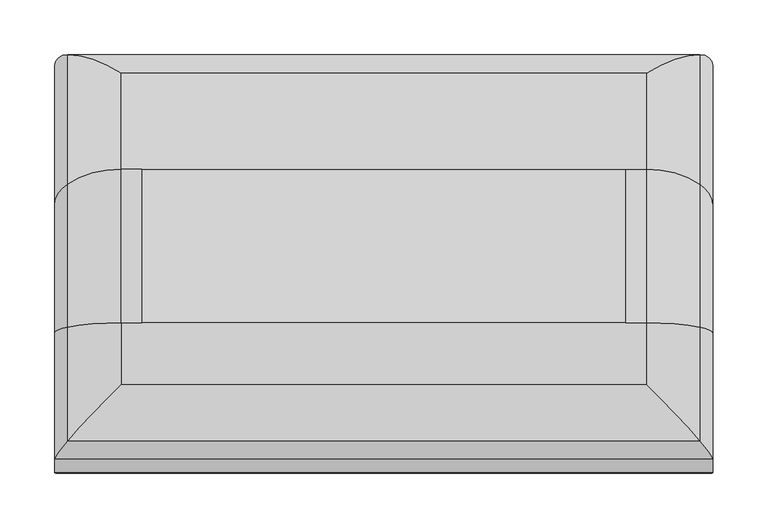
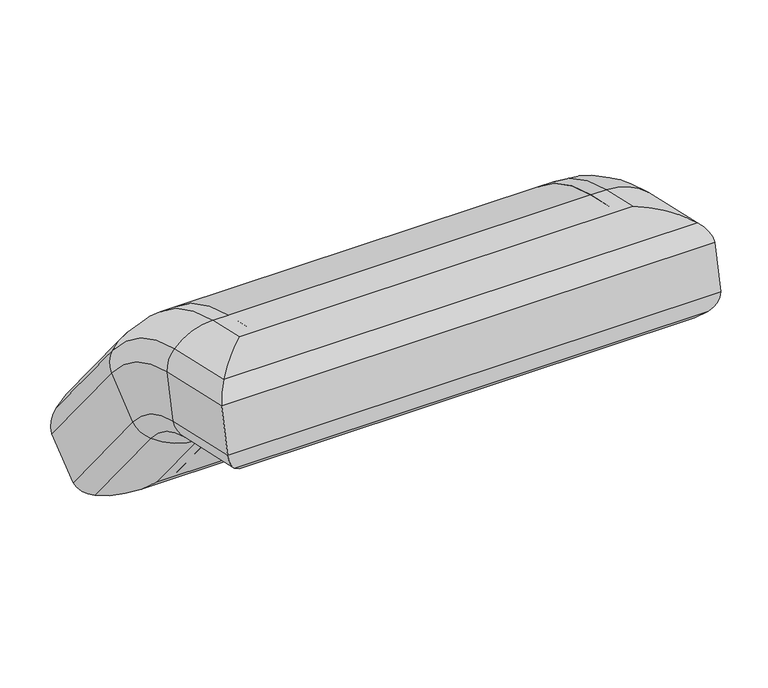
"""IFC4 building model written with IfcOpenShell, lengths in millimetres: furniture geometry."""

from ifc_helpers import new_model, si_unit, point, frame, origin, place, context, project, spatial, polyline, circle_curve, ellipse_curve, trimmed, source, transform, mapped, element, save
from ifc_brep_helpers import plane_surface, cylinder_surface, revolved_surface, advanced_brep


def furniture_5958761a(model_context):
    return source(origin(), model_context, "Body", "AdvancedBrep", [
        advanced_brep(
        [(615.9786011, 39.7050483, 709.8244582), (615.2922792, 8.2790068, 573.7033175), (615.2922792, 46.9310995, 564.9795644), (615.9786011, 77.6876591, 701.2518068), (548.1505077, -30.4149091, 707.2292663), (597.2994374, 21.484207, 713.9368907), (597.2994374, 77.6876591, 701.2518068), (548.1505077, 73.731527, 683.723481), (536.2146165, 68.6767714, 661.3275147), (536.2146165, -47.1126901, 687.4611234), (536.2724202, 55.9709225, 605.0320596), (536.2724202, -59.7621536, 631.1529422), (548.0428978, 50.958398, 582.823205), (548.0428978, -53.2930075, 606.3526818), (597.5722685, 46.9310995, 564.9795644), (597.5722685, -9.0062158, 577.6045814), (615.2922792, 110.3801795, 525.6791827), (615.9786011, 218.6856146, 613.9176251), (597.2994374, 218.6856146, 613.9176251), (615.9786011, 77.6876591, 701.2518068), (615.9786011, 218.6856146, 613.9176251), (548.1505077, 204.7545827, 602.5677556), (536.2146165, 186.9548838, 588.0660115), (536.2724202, 142.2128025, 551.6138098), (548.0428978, 124.5618149, 537.2332235), (597.5722685, 110.3801795, 525.6791827), (615.2922792, 186.8409174, 431.8299118), (615.9786011, 294.7128523, 520.6004402), (1060.4786011, 218.6856146, 613.9176251), (1079.1577649, 218.6856146, 613.9176251), (1079.1577649, 306.5111366, 506.119016), (597.2994374, 306.5111366, 506.119016), (548.1505077, 323.6239487, 456.6653797), (536.2146165, 313.3632938, 432.9100788), (536.2724202, 268.584702, 396.5026906), (548.0428978, 243.4991503, 391.2474208), (597.5722685, 198.0333737, 418.0920917), (1078.8849338, 198.0333737, 418.0920917), (1078.8849338, 110.3801795, 525.6791827), (1061.1649231, 110.3801795, 525.6791827), (1061.1649231, 186.8409174, 431.8299118), (1060.4786011, 186.8409174, 431.8299118), (1060.4786011, 110.3801795, 525.6791827), (615.9786011, 110.3801795, 525.6791827), (615.9786011, 186.8409174, 431.8299118), (1060.4786011, 294.7128523, 520.6004402), (1128.3066946, 323.6239487, 456.6653797), (1140.2425858, 313.3632938, 432.9100788), (1140.1847821, 268.584702, 396.5026906), (1128.4143044, 243.4991503, 391.2474208), (1060.4786011, 218.6856146, 613.9176251), (1128.3066946, 204.7545827, 602.5677556), (1140.2425858, 186.9548838, 588.0660115), (1140.1847821, 142.2128025, 551.6138098), (1128.4143044, 124.5618149, 537.2332235), (1061.1649231, 46.9310995, 564.9795644), (1060.4786011, 77.6876591, 701.2518068), (1060.4786011, 77.6876591, 701.2518068), (1079.1577649, 77.6876591, 701.2518068), (1128.3066946, 73.731527, 683.723481), (1140.2425858, 68.6767714, 661.3275147), (1140.1847821, 55.9709225, 605.0320596), (1128.4143044, 50.958398, 582.823205), (1078.8849338, 46.9310995, 564.9795644), (1061.1649231, 8.2790068, 573.7033175), (1060.4786011, 39.7050483, 709.8244582), (1079.1577649, 21.484207, 713.9368907), (1128.3066946, -30.4149091, 707.2292663), (1140.2425858, -47.1126901, 687.4611234), (1140.1847821, -59.7621536, 631.1529422), (1128.4143044, -53.2930075, 606.3526818), (1078.8849338, -9.0062158, 577.6045814), (615.9786011, 8.2790068, 573.7033175), (615.9786011, 46.9310995, 564.9795644), (1060.4786011, 46.9310995, 564.9795644), (1060.4786011, 8.2790068, 573.7033175)],
        [
            (0, 1),
            (1, 2),
            (2, 3),
            (3, 0),
            (4, 5, ellipse_curve(frame((597.2994374, 4.7079018, 639.6065766), z_axis=(-0.7071067811865457, 0.6897568122696828, -0.15567767960619114), x_axis=(-0.707106781186549, -0.6897568122696794, 0.1556776796061913)), 107.7630735, 76.2)),
            (5, 6),
            (6, 7, circle_curve(frame((597.2994374, 60.9113539, 626.9214928), z_axis=(0.0, -0.9754634386510158, 0.220161485857849), x_axis=(-0.004912767759913869, -0.22015882901148728, -0.975451667034932)), 76.2)),
            (7, 4),
            (7, 8, circle_curve(frame((570.0816075, 68.0109447, 658.3774545), z_axis=(0.0, -0.9754634386510158, 0.220161485857849), x_axis=(-0.004912767759913869, -0.22015882901148728, -0.975451667034932)), 34.0017538)),
            (8, 9),
            (9, 4, ellipse_curve(frame((570.0816075, -14.7425053, 677.0548563), z_axis=(-0.7071067811865457, 0.6897568122696828, -0.15567767960619114), x_axis=(-0.707106781186549, -0.6897568122696794, 0.1556776796061913)), 48.0857414, 34.0017538)),
            (8, 10, circle_curve(frame((855.7694958, 62.3943067, 633.491971), z_axis=(0.0, -0.9754634386510158, 0.220161485857849), x_axis=(-0.004912767759913869, -0.22015882901148728, -0.975451667034932)), 320.8264449)),
            (10, 11),
            (11, 9, ellipse_curve(frame((855.7694958, 258.3189466, 589.2719028), z_axis=(-0.7071067811865457, 0.6897568122696828, -0.15567767960619114), x_axis=(-0.707106781186549, -0.6897568122696794, 0.1556776796061913)), 453.7171095, 320.8264449)),
            (10, 12, circle_curve(frame((570.1634371, 56.6522903, 608.0509772), z_axis=(0.0, -0.9754634386510158, 0.220161485857849), x_axis=(-0.004912767759913869, -0.22015882901148728, -0.975451667034932)), 34.0320313)),
            (12, 13),
            (13, 11, ellipse_curve(frame((570.1634371, -26.0213379, 626.7103632), z_axis=(-0.7071067811865457, 0.6897568122696828, -0.15567767960619114), x_axis=(-0.707106781186549, -0.6897568122696794, 0.1556776796061913)), 48.1285601, 34.0320313)),
            (12, 14, circle_curve(frame((597.5722685, 63.7074048, 639.3098785), z_axis=(0.0, -0.9754634386510158, 0.220161485857849), x_axis=(-0.004912767759913869, -0.22015882901148728, -0.975451667034932)), 76.2)),
            (14, 15),
            (15, 13, ellipse_curve(frame((597.5722685, 7.7700894, 651.9348954), z_axis=(-0.7071067811865457, 0.6897568122696828, -0.15567767960619114), x_axis=(-0.707106781186549, -0.6897568122696794, 0.1556776796061913)), 107.7630735, 76.2)),
            (2, 16, circle_curve(frame((615.2922792, 21.7666417, 453.4840934), z_axis=(-1.0, 0.0, 0.0), x_axis=(0.0, 0.22016148585784867, 0.9754634386510159)), 114.3)),
            (16, 17),
            (17, 3, circle_curve(frame((615.9786011, 21.7666417, 453.4840934), z_axis=(1.0, 0.0, 0.0), x_axis=(0.0, 0.22016148585784867, 0.9754634386510159)), 254.0)),
            (18, 6, circle_curve(frame((597.2994374, 21.7666417, 453.4840934), z_axis=(1.0, 0.0, 0.0), x_axis=(0.0, 0.22016148585784867, 0.9754634386510159)), 254.0)),
            (6, 19),
            (19, 20, circle_curve(frame((615.9786011, 21.7666417, 453.4840934), z_axis=(-1.0, 0.0, 0.0), x_axis=(0.0, 0.22016148585784867, 0.9754634386510159)), 254.0)),
            (20, 18),
            (18, 21, circle_curve(frame((597.2994374, 159.6099227, 565.7875656), z_axis=(0.0, -0.6316280777099303, 0.7752715469101511), x_axis=(-0.0049127677599147814, -0.7752621911530316, -0.6316204554014522)), 76.2)),
            (21, 7, circle_curve(frame((548.1505077, 21.7666417, 453.4840934), z_axis=(1.0, 0.0, 0.0), x_axis=(0.0, 0.22016148585784867, 0.9754634386510159)), 236.0307711)),
            (21, 22, circle_curve(frame((570.0816075, 184.6102571, 586.1558007), z_axis=(0.0, -0.6316280777099302, 0.7752715469101512), x_axis=(-0.0049127677599147814, -0.7752621911530317, -0.631620455401452)), 34.0017538)),
            (22, 8, circle_curve(frame((536.2146165, 21.7666417, 453.4840934), z_axis=(1.0, 0.0, 0.0), x_axis=(0.0, 0.22016148585784867, 0.9754634386510159)), 213.0714623)),
            (22, 23, circle_curve(frame((855.7694958, 164.8319584, 570.0420547), z_axis=(0.0, -0.6316280777099303, 0.7752715469101511), x_axis=(-0.0049127677599147814, -0.7752621911530316, -0.6316204554014522)), 320.8264449)),
            (23, 10, circle_curve(frame((536.2724202, 21.7666417, 453.4840934), z_axis=(1.0, 0.0, 0.0), x_axis=(0.0, 0.22016148585784867, 0.9754634386510159)), 155.3599655)),
            (23, 24, circle_curve(frame((570.1634371, 144.6121552, 553.5686069), z_axis=(0.0, -0.6316280777099306, 0.775271546910151), x_axis=(-0.0049127677599147814, -0.7752621911530315, -0.6316204554014523)), 34.0320313)),
            (24, 12, circle_curve(frame((548.0428978, 21.7666417, 453.4840934), z_axis=(1.0, 0.0, 0.0), x_axis=(0.0, 0.22016148585784867, 0.9754634386510159)), 132.592475)),
            (24, 25, circle_curve(frame((597.5722685, 169.4558714, 573.8092422), z_axis=(0.0, -0.6316280777099301, 0.7752715469101514), x_axis=(-0.0049127677599147814, -0.7752621911530319, -0.6316204554014518)), 76.2)),
            (25, 14, circle_curve(frame((597.5722685, 21.7666417, 453.4840934), z_axis=(1.0, 0.0, 0.0), x_axis=(0.0, 0.22016148585784867, 0.9754634386510159)), 114.3)),
            (2, 14),
            (25, 16),
            (16, 26),
            (26, 27),
            (27, 17),
            (20, 28),
            (28, 29),
            (29, 30),
            (30, 31),
            (31, 18),
            (31, 32, ellipse_curve(frame((597.2994374, 247.4354447, 457.9889565), z_axis=(-0.7071067811865481, -0.44662849693651435, 0.5481997680811522), x_axis=(0.7071067811865468, -0.44662849693651635, 0.5481997680811523)), 107.7630735, 76.2)),
            (32, 21),
            (32, 33, ellipse_curve(frame((570.0816075, 289.6273246, 457.2559825), z_axis=(-0.7071067811865481, -0.44662849693651435, 0.5481997680811522), x_axis=(0.7071067811865468, -0.44662849693651635, 0.5481997680811523)), 48.0857414, 34.0017538)),
            (33, 22),
            (33, 34, ellipse_curve(frame((855.7694958, 89.4005342, 662.6279276), z_axis=(-0.7071067811865481, -0.44662849693651435, 0.5481997680811522), x_axis=(0.7071067811865468, -0.44662849693651635, 0.5481997680811523)), 453.7171095, 320.8264449)),
            (34, 23),
            (34, 35, ellipse_curve(frame((570.1634371, 249.5775369, 424.7322288), z_axis=(-0.7071067811865481, -0.44662849693651435, 0.5481997680811522), x_axis=(0.7071067811865468, -0.44662849693651635, 0.5481997680811523)), 48.1285601, 34.0320313)),
            (35, 24),
            (35, 36, ellipse_curve(frame((597.5722685, 257.1090656, 466.2221512), z_axis=(-0.7071067811865481, -0.44662849693651435, 0.5481997680811522), x_axis=(0.7071067811865468, -0.44662849693651635, 0.5481997680811523)), 107.7630735, 76.2)),
            (36, 25),
            (36, 37),
            (37, 38),
            (38, 39),
            (39, 40),
            (40, 41),
            (41, 42),
            (42, 43),
            (43, 44),
            (44, 26),
            (44, 27),
            (40, 45),
            (45, 41),
            (30, 46, ellipse_curve(frame((1079.1577649, 247.4354447, 457.9889565), z_axis=(-0.7071067811865469, 0.4466284969365162, -0.5481997680811523), x_axis=(-0.7071067811865481, -0.44662849693651424, 0.5481997680811523)), 107.7630735, 76.2)),
            (46, 32),
            (46, 47, ellipse_curve(frame((1106.3755948, 289.6273246, 457.2559825), z_axis=(-0.7071067811865469, 0.4466284969365162, -0.5481997680811523), x_axis=(-0.7071067811865481, -0.44662849693651424, 0.5481997680811523)), 48.0857414, 34.0017538)),
            (47, 33),
            (47, 48, ellipse_curve(frame((820.6877065, 89.4005342, 662.6279276), z_axis=(-0.7071067811865469, 0.4466284969365162, -0.5481997680811523), x_axis=(-0.7071067811865481, -0.44662849693651424, 0.5481997680811523)), 453.7171095, 320.8264449)),
            (48, 34),
            (48, 49, ellipse_curve(frame((1106.2937652, 249.5775369, 424.7322288), z_axis=(-0.7071067811865469, 0.4466284969365162, -0.5481997680811523), x_axis=(-0.7071067811865481, -0.44662849693651424, 0.5481997680811523)), 48.1285601, 34.0320313)),
            (49, 35),
            (49, 37, ellipse_curve(frame((1078.8849338, 257.1090656, 466.2221512), z_axis=(-0.7071067811865469, 0.4466284969365162, -0.5481997680811523), x_axis=(-0.7071067811865481, -0.44662849693651424, 0.5481997680811523)), 107.7630735, 76.2)),
            (39, 50),
            (50, 45),
            (29, 51, circle_curve(frame((1079.1577649, 159.6099227, 565.7875656), z_axis=(0.0, 0.6316280777099301, -0.775271546910151), x_axis=(0.004912767759911785, -0.7752621911530316, -0.631620455401452)), 76.2)),
            (51, 46),
            (51, 52, circle_curve(frame((1106.3755948, 184.6102571, 586.1558007), z_axis=(0.0, 0.6316280777099301, -0.775271546910151), x_axis=(0.004912767759911785, -0.7752621911530316, -0.631620455401452)), 34.0017538)),
            (52, 47),
            (52, 53, circle_curve(frame((820.6877065, 164.8319584, 570.0420547), z_axis=(0.0, 0.6316280777099301, -0.775271546910151), x_axis=(0.004912767759911785, -0.7752621911530316, -0.631620455401452)), 320.8264449)),
            (53, 48),
            (53, 54, circle_curve(frame((1106.2937652, 144.6121552, 553.5686069), z_axis=(0.0, 0.6316280777099301, -0.775271546910151), x_axis=(0.004912767759911785, -0.7752621911530316, -0.631620455401452)), 34.0320312)),
            (54, 49),
            (54, 38, circle_curve(frame((1078.8849338, 169.4558714, 573.8092422), z_axis=(0.0, 0.6316280777099301, -0.775271546910151), x_axis=(0.004912767759911785, -0.7752621911530316, -0.631620455401452)), 76.2)),
            (39, 55, circle_curve(frame((1061.1649231, 21.7666417, 453.4840934), z_axis=(1.0, 0.0, 0.0), x_axis=(0.0, 0.7752715469101549, 0.6316280777099254)), 114.3)),
            (55, 56),
            (56, 50, circle_curve(frame((1060.4786011, 21.7666417, 453.4840934), z_axis=(-1.0, 0.0, 0.0), x_axis=(0.0, 0.7752715469101549, 0.6316280777099254)), 254.0)),
            (28, 57, circle_curve(frame((1060.4786011, 21.7666417, 453.4840934), z_axis=(1.0, 0.0, 0.0), x_axis=(0.0, 0.7752715469101549, 0.6316280777099254)), 254.0)),
            (57, 58),
            (58, 29, circle_curve(frame((1079.1577649, 21.7666417, 453.4840934), z_axis=(-1.0, 0.0, 0.0), x_axis=(0.0, 0.7752715469101549, 0.6316280777099254)), 254.0)),
            (58, 59, circle_curve(frame((1079.1577649, 60.9113539, 626.9214928), z_axis=(0.0, 0.9754634386510159, -0.22016148585784945), x_axis=(0.004912767759912694, -0.2201588290114877, -0.975451667034932)), 76.2)),
            (59, 51, circle_curve(frame((1128.3066946, 21.7666417, 453.4840934), z_axis=(-1.0, 0.0, 0.0), x_axis=(0.0, 0.7752715469101549, 0.6316280777099254)), 236.0307711)),
            (59, 60, circle_curve(frame((1106.3755948, 68.0109447, 658.3774545), z_axis=(0.0, 0.975463438651016, -0.22016148585784906), x_axis=(0.004912767759912694, -0.22015882901148726, -0.9754516670349321)), 34.0017538)),
            (60, 52, circle_curve(frame((1140.2425858, 21.7666417, 453.4840934), z_axis=(-1.0, 0.0, 0.0), x_axis=(0.0, 0.7752715469101549, 0.6316280777099254)), 213.0714623)),
            (60, 61, circle_curve(frame((820.6877065, 62.3943067, 633.491971), z_axis=(0.0, 0.9754634386510161, -0.22016148585784817), x_axis=(0.004912767759912694, -0.22015882901148642, -0.9754516670349322)), 320.8264449)),
            (61, 53, circle_curve(frame((1140.1847821, 21.7666417, 453.4840934), z_axis=(-1.0, 0.0, 0.0), x_axis=(0.0, 0.7752715469101549, 0.6316280777099254)), 155.3599655)),
            (61, 62, circle_curve(frame((1106.2937652, 56.6522903, 608.0509772), z_axis=(0.0, 0.9754634386510168, -0.22016148585784562), x_axis=(0.004912767759912694, -0.22015882901148387, -0.9754516670349329)), 34.0320313)),
            (62, 54, circle_curve(frame((1128.4143044, 21.7666417, 453.4840934), z_axis=(-1.0, 0.0, 0.0), x_axis=(0.0, 0.7752715469101549, 0.6316280777099254)), 132.592475)),
            (62, 63, circle_curve(frame((1078.8849338, 63.7074048, 639.3098785), z_axis=(0.0, 0.9754634386510173, -0.22016148585784384), x_axis=(0.004912767759912694, -0.22015882901148204, -0.9754516670349334)), 76.2)),
            (63, 38, circle_curve(frame((1078.8849338, 21.7666417, 453.4840934), z_axis=(-1.0, 0.0, 0.0), x_axis=(0.0, 0.7752715469101549, 0.6316280777099254)), 114.3)),
            (63, 55),
            (55, 64),
            (64, 65),
            (65, 56),
            (5, 66),
            (66, 58),
            (57, 19),
            (66, 67, ellipse_curve(frame((1079.1577649, 4.7079018, 639.6065766), z_axis=(0.7071067811865492, 0.6897568122696793, -0.15567767960619158), x_axis=(-0.7071067811865459, 0.6897568122696827, -0.15567767960619144)), 107.7630735, 76.2)),
            (67, 59),
            (67, 68, ellipse_curve(frame((1106.3755948, -14.7425053, 677.0548563), z_axis=(0.7071067811865492, 0.6897568122696793, -0.15567767960619158), x_axis=(-0.7071067811865459, 0.6897568122696827, -0.15567767960619144)), 48.0857414, 34.0017538)),
            (68, 60),
            (68, 69, ellipse_curve(frame((820.6877065, 258.3189466, 589.2719028), z_axis=(0.7071067811865492, 0.6897568122696793, -0.15567767960619158), x_axis=(-0.7071067811865459, 0.6897568122696827, -0.15567767960619144)), 453.7171095, 320.8264449)),
            (69, 61),
            (69, 70, ellipse_curve(frame((1106.2937652, -26.0213379, 626.7103632), z_axis=(0.7071067811865492, 0.6897568122696793, -0.15567767960619158), x_axis=(-0.7071067811865459, 0.6897568122696827, -0.15567767960619144)), 48.1285601, 34.0320313)),
            (70, 62),
            (70, 71, ellipse_curve(frame((1078.8849338, 7.7700894, 651.9348954), z_axis=(0.7071067811865492, 0.6897568122696793, -0.15567767960619158), x_axis=(-0.7071067811865459, 0.6897568122696827, -0.15567767960619144)), 107.7630735, 76.2)),
            (71, 63),
            (1, 72),
            (72, 73),
            (73, 74),
            (74, 75),
            (75, 64),
            (71, 15),
            (0, 72),
            (75, 65),
            (4, 67),
            (9, 68),
            (11, 69),
            (13, 70),
            (74, 42, circle_curve(frame((1060.4786011, 21.7666417, 453.4840934), z_axis=(-1.0, 0.0, 0.0), x_axis=(0.0, 1.0, 0.0)), 114.3)),
            (43, 73, circle_curve(frame((615.9786011, 21.7666417, 453.4840934), z_axis=(1.0, 0.0, 0.0), x_axis=(0.0, 1.0, 0.0)), 114.3)),
        ],
        [
            plane_surface(frame((615.2922792, 8.2790068, 573.7033175), z_axis=(0.9999879322836538, -0.0010816022496983094, -0.00479222533236896), x_axis=(0.0, 0.975463438651016, -0.22016148585784845))),
            cylinder_surface(frame((597.2994374, 22.9287431, 635.4941442), z_axis=(0.0, -0.9754634386510158, 0.220161485857849), x_axis=(-0.004912767759913869, -0.22015882901148728, -0.975451667034932)), 76.2),
            cylinder_surface(frame((570.0816075, 30.0283339, 666.9501059), z_axis=(0.0, -0.9754634386510158, 0.220161485857849), x_axis=(-0.004912767759913869, -0.22015882901148728, -0.975451667034932)), 34.0017538),
            cylinder_surface(frame((855.7694958, 24.4116959, 642.0646224), z_axis=(0.0, -0.9754634386510158, 0.220161485857849), x_axis=(-0.004912767759913869, -0.22015882901148728, -0.975451667034932)), 320.8264449),
            cylinder_surface(frame((570.1634371, 18.6696796, 616.6236286), z_axis=(0.0, -0.9754634386510158, 0.220161485857849), x_axis=(-0.004912767759913869, -0.22015882901148728, -0.975451667034932)), 34.0320313),
            cylinder_surface(frame((597.5722685, 25.724794, 647.8825299), z_axis=(0.0, -0.9754634386510158, 0.220161485857849), x_axis=(-0.004912767759913869, -0.22015882901148728, -0.975451667034932)), 76.2),
            revolved_surface(polyline([(615.2922792, 46.9310995, 564.9795644), (615.9786011, 77.6876591, 701.2518068)]), (615.9786011, 21.7666417, 453.4840934), (-1.0, 0.0, 0.0)),
            cylinder_surface(frame((615.9786011, 21.7666417, 453.4840934), z_axis=(-1.0, 0.0, 0.0), x_axis=(0.0, 0.22016148585784867, 0.9754634386510159)), 254.0),
            revolved_surface(trimmed(ellipse_curve(frame((597.2994374, 60.9113539, 626.9214928), z_axis=(0.0, -0.9754634386510161, 0.22016148585784867), x_axis=(-0.0049127677599138725, -0.22015882901148692, -0.9754516670349321)), 76.2, 76.2), [point((597.2994374, 77.6876591, 701.2518068))], [point((548.1505077, 73.731527, 683.723481))], True, "CARTESIAN"), (615.9786011, 21.7666417, 453.4840934), (-1.0, 0.0, 0.0)),
            revolved_surface(trimmed(ellipse_curve(frame((570.0816075, 68.0109447, 658.3774545), z_axis=(0.0, -0.9754634386510161, 0.22016148585784867), x_axis=(-0.0049127677599138725, -0.22015882901148692, -0.9754516670349321)), 34.0017538, 34.0017538), [point((548.1505077, 73.731527, 683.723481))], [point((536.2146165, 68.6767714, 661.3275147))], True, "CARTESIAN"), (615.9786011, 21.7666417, 453.4840934), (-1.0, 0.0, 0.0)),
            revolved_surface(trimmed(ellipse_curve(frame((855.7694958, 62.3943067, 633.491971), z_axis=(0.0, -0.9754634386510161, 0.22016148585784867), x_axis=(-0.0049127677599138725, -0.22015882901148692, -0.9754516670349321)), 320.8264449, 320.8264449), [point((536.2146165, 68.6767714, 661.3275147))], [point((536.2724202, 55.9709225, 605.0320596))], True, "CARTESIAN"), (615.9786011, 21.7666417, 453.4840934), (-1.0, 0.0, 0.0)),
            revolved_surface(trimmed(ellipse_curve(frame((570.1634371, 56.6522903, 608.0509772), z_axis=(0.0, -0.9754634386510161, 0.22016148585784867), x_axis=(-0.0049127677599138725, -0.22015882901148692, -0.9754516670349321)), 34.0320313, 34.0320313), [point((536.2724202, 55.9709225, 605.0320596))], [point((548.0428978, 50.958398, 582.823205))], True, "CARTESIAN"), (615.9786011, 21.7666417, 453.4840934), (-1.0, 0.0, 0.0)),
            revolved_surface(trimmed(ellipse_curve(frame((597.5722685, 63.7074048, 639.3098785), z_axis=(0.0, -0.9754634386510161, 0.22016148585784867), x_axis=(-0.0049127677599138725, -0.22015882901148692, -0.9754516670349321)), 76.2, 76.2), [point((548.0428978, 50.958398, 582.823205))], [point((597.5722685, 46.9310995, 564.9795644))], True, "CARTESIAN"), (615.9786011, 21.7666417, 453.4840934), (-1.0, 0.0, 0.0)),
            revolved_surface(polyline([(597.5722685, 46.9310995335521, 564.9795644378112), (615.2922792, 46.9310995335521, 564.9795644378112)]), (615.9786011, 21.7666417, 453.4840934), (-1.0, 0.0, 0.0)),
            plane_surface(frame((615.2922792, 110.3801795, 525.6791827), z_axis=(0.9999879322836538, -0.0038087290608324292, -0.00310304205642313), x_axis=(0.0, 0.6316280777099301, -0.7752715469101511))),
            plane_surface(frame((615.9786011, 218.6856146, 613.9176251), z_axis=(0.0, 0.7752715469101509, 0.6316280777099305), x_axis=(0.0, 0.6316280777099305, -0.7752715469101509))),
            cylinder_surface(frame((597.2994374, 159.6099227, 565.7875656), z_axis=(0.0, -0.6316280777099303, 0.7752715469101509), x_axis=(-0.004912767759914779, -0.7752621911530314, -0.6316204554014522)), 76.2),
            cylinder_surface(frame((570.0816075, 184.6102571, 586.1558007), z_axis=(0.0, -0.6316280777099303, 0.7752715469101509), x_axis=(-0.004912767759914779, -0.7752621911530314, -0.6316204554014522)), 34.0017538),
            cylinder_surface(frame((855.7694958, 164.8319584, 570.0420547), z_axis=(0.0, -0.6316280777099303, 0.7752715469101509), x_axis=(-0.004912767759914779, -0.7752621911530314, -0.6316204554014522)), 320.8264449),
            cylinder_surface(frame((570.1634371, 144.6121552, 553.5686069), z_axis=(0.0, -0.6316280777099303, 0.7752715469101509), x_axis=(-0.004912767759914779, -0.7752621911530314, -0.6316204554014522)), 34.0320313),
            cylinder_surface(frame((597.5722685, 169.4558714, 573.8092422), z_axis=(0.0, -0.6316280777099303, 0.7752715469101509), x_axis=(-0.004912767759914779, -0.7752621911530314, -0.6316204554014522)), 76.2),
            plane_surface(frame((597.5722685, 110.3801795, 525.6791827), z_axis=(0.0, -0.7752715469101515, -0.6316280777099295), x_axis=(0.0, 0.6316280777099295, -0.7752715469101515))),
            plane_surface(frame((615.2922792, 186.8409174, 431.8299118), z_axis=(0.0, -0.6354291844622827, 0.7721591490966085), x_axis=(1.0, 0.0, 0.0))),
            cylinder_surface(frame((615.9786011, 247.4354447, 457.9889565), z_axis=(-1.0, 0.0, 0.0), x_axis=(0.0, -0.7721591490966022, -0.6354291844622904)), 76.2),
            cylinder_surface(frame((615.9786011, 289.6273246, 457.2559825), z_axis=(-1.0, 0.0, 0.0), x_axis=(0.0, -0.7721591490966022, -0.6354291844622904)), 34.0017538),
            cylinder_surface(frame((615.9786011, 89.4005342, 662.6279276), z_axis=(-1.0, 0.0, 0.0), x_axis=(0.0, -0.7721591490966022, -0.6354291844622904)), 320.8264449),
            cylinder_surface(frame((615.9786011, 249.5775369, 424.7322288), z_axis=(-1.0, 0.0, 0.0), x_axis=(0.0, -0.7721591490966022, -0.6354291844622904)), 34.0320313),
            cylinder_surface(frame((615.9786011, 257.1090656, 466.2221512), z_axis=(-1.0, 0.0, 0.0), x_axis=(0.0, -0.7721591490966022, -0.6354291844622904)), 76.2),
            plane_surface(frame((1061.1649231, 186.8409174, 431.8299118), z_axis=(-0.9999879322836539, -0.0038087290608287186, -0.0031030420564229877), x_axis=(0.0, -0.6316280777099296, 0.7752715469101515))),
            cylinder_surface(frame((1079.1577649, 235.6371604, 472.4703807), z_axis=(0.0, 0.6316280777099302, -0.7752715469101512), x_axis=(0.004912767759911785, -0.7752621911530316, -0.631620455401452)), 76.2),
            cylinder_surface(frame((1106.3755948, 260.6374948, 492.8386158), z_axis=(0.0, 0.6316280777099302, -0.7752715469101512), x_axis=(0.004912767759911785, -0.7752621911530316, -0.631620455401452)), 34.0017538),
            cylinder_surface(frame((820.6877065, 240.859196, 476.7248697), z_axis=(0.0, 0.6316280777099302, -0.7752715469101512), x_axis=(0.004912767759911785, -0.7752621911530316, -0.631620455401452)), 320.8264449),
            cylinder_surface(frame((1106.2937652, 220.6393929, 460.2514219), z_axis=(0.0, 0.6316280777099302, -0.7752715469101512), x_axis=(0.004912767759911785, -0.7752621911530316, -0.631620455401452)), 34.0320313),
            cylinder_surface(frame((1078.8849338, 245.483109, 480.4920572), z_axis=(0.0, 0.6316280777099302, -0.7752715469101512), x_axis=(0.004912767759911785, -0.7752621911530316, -0.631620455401452)), 76.2),
            revolved_surface(polyline([(1061.1649231, 110.3801795, 525.6791827), (1060.4786011, 218.6856146, 613.9176251)]), (1060.4786011, 21.7666417, 453.4840934), (1.0, 0.0, 0.0)),
            cylinder_surface(frame((1060.4786011, 21.7666417, 453.4840934), z_axis=(1.0, 0.0, 0.0), x_axis=(0.0, 0.7752715469101549, 0.6316280777099254)), 254.0),
            revolved_surface(trimmed(ellipse_curve(frame((1079.1577649, 159.6099227, 565.7875656), z_axis=(0.0, 0.6316280777099252, -0.7752715469101552), x_axis=(0.004912767759911785, -0.7752621911530356, -0.6316204554014471)), 76.2, 76.2), [point((1079.1577649, 218.6856146, 613.9176251))], [point((1128.3066946, 204.7545827, 602.5677556))], True, "CARTESIAN"), (1060.4786011, 21.7666417, 453.4840934), (1.0, 0.0, 0.0)),
            revolved_surface(trimmed(ellipse_curve(frame((1106.3755948, 184.6102571, 586.1558007), z_axis=(0.0, 0.6316280777099252, -0.7752715469101552), x_axis=(0.004912767759911785, -0.7752621911530356, -0.6316204554014471)), 34.0017538, 34.0017538), [point((1128.3066946, 204.7545827, 602.5677556))], [point((1140.2425858, 186.9548838, 588.0660115))], True, "CARTESIAN"), (1060.4786011, 21.7666417, 453.4840934), (1.0, 0.0, 0.0)),
            revolved_surface(trimmed(ellipse_curve(frame((820.6877065, 164.8319584, 570.0420547), z_axis=(0.0, 0.6316280777099252, -0.7752715469101552), x_axis=(0.004912767759911785, -0.7752621911530356, -0.6316204554014471)), 320.8264449, 320.8264449), [point((1140.2425858, 186.9548838, 588.0660115))], [point((1140.1847821, 142.2128025, 551.6138098))], True, "CARTESIAN"), (1060.4786011, 21.7666417, 453.4840934), (1.0, 0.0, 0.0)),
            revolved_surface(trimmed(ellipse_curve(frame((1106.2937652, 144.6121552, 553.5686069), z_axis=(0.0, 0.6316280777099252, -0.7752715469101552), x_axis=(0.004912767759911785, -0.7752621911530356, -0.6316204554014471)), 34.0320313, 34.0320313), [point((1140.1847821, 142.2128025, 551.6138098))], [point((1128.4143044, 124.5618149, 537.2332235))], True, "CARTESIAN"), (1060.4786011, 21.7666417, 453.4840934), (1.0, 0.0, 0.0)),
            revolved_surface(trimmed(ellipse_curve(frame((1078.8849338, 169.4558714, 573.8092422), z_axis=(0.0, 0.6316280777099252, -0.7752715469101552), x_axis=(0.004912767759911785, -0.7752621911530356, -0.6316204554014471)), 76.2, 76.2), [point((1128.4143044, 124.5618149, 537.2332235))], [point((1078.8849338, 110.3801795, 525.6791827))], True, "CARTESIAN"), (1060.4786011, 21.7666417, 453.4840934), (1.0, 0.0, 0.0)),
            revolved_surface(polyline([(1078.8849338, 110.3801795118307, 525.6791826822445), (1061.1649231, 110.3801795118307, 525.6791826822445)]), (1060.4786011, 21.7666417, 453.4840934), (1.0, 0.0, 0.0)),
            plane_surface(frame((1061.1649231, 46.9310995, 564.9795644), z_axis=(-0.9999879322836538, -0.0010816022496914007, -0.0047922253323693445), x_axis=(0.0, -0.9754634386510156, 0.22016148585785003))),
            plane_surface(frame((1060.4786011, 77.6876591, 701.2518068), z_axis=(0.0, 0.220161485857851, 0.9754634386510155), x_axis=(0.0, -0.9754634386510155, 0.220161485857851))),
            cylinder_surface(frame((1079.1577649, 60.9113539, 626.9214928), z_axis=(0.0, 0.9754634386510157, -0.22016148585784942), x_axis=(0.004912767759912695, -0.22015882901148773, -0.9754516670349319)), 76.2),
            cylinder_surface(frame((1106.3755948, 68.0109447, 658.3774545), z_axis=(0.0, 0.9754634386510157, -0.22016148585784942), x_axis=(0.004912767759912695, -0.22015882901148773, -0.9754516670349319)), 34.0017538),
            cylinder_surface(frame((820.6877065, 62.3943067, 633.491971), z_axis=(0.0, 0.9754634386510157, -0.22016148585784942), x_axis=(0.004912767759912695, -0.22015882901148773, -0.9754516670349319)), 320.8264449),
            cylinder_surface(frame((1106.2937652, 56.6522903, 608.0509772), z_axis=(0.0, 0.9754634386510157, -0.22016148585784942), x_axis=(0.004912767759912695, -0.22015882901148773, -0.9754516670349319)), 34.0320313),
            cylinder_surface(frame((1078.8849338, 63.7074048, 639.3098785), z_axis=(0.0, 0.9754634386510157, -0.22016148585784942), x_axis=(0.004912767759912695, -0.22015882901148773, -0.9754516670349319)), 76.2),
            plane_surface(frame((1078.8849338, 46.9310995, 564.9795644), z_axis=(0.0, -0.22016148585784912, -0.9754634386510159), x_axis=(0.0, -0.9754634386510159, 0.22016148585784912))),
            plane_surface(frame((1061.1649231, 8.2790068, 573.7033175), z_axis=(0.0, 0.9743700647852372, -0.22495105434385643), x_axis=(-1.0, 0.0, 0.0))),
            cylinder_surface(frame((1060.4786011, 4.7079018, 639.6065766), z_axis=(1.0000000000000002, 0.0, 0.0), x_axis=(0.0, -0.2249510543438661, -0.974370064785235)), 76.2),
            cylinder_surface(frame((1060.4786011, -14.7425053, 677.0548563), z_axis=(1.0000000000000002, 0.0, 0.0), x_axis=(0.0, -0.2249510543438661, -0.974370064785235)), 34.0017538),
            cylinder_surface(frame((1060.4786011, 258.3189466, 589.2719028), z_axis=(1.0000000000000002, 0.0, 0.0), x_axis=(0.0, -0.2249510543438661, -0.974370064785235)), 320.8264449),
            cylinder_surface(frame((1060.4786011, -26.0213379, 626.7103632), z_axis=(1.0000000000000002, 0.0, 0.0), x_axis=(0.0, -0.2249510543438661, -0.974370064785235)), 34.0320313),
            cylinder_surface(frame((1060.4786011, 7.7700894, 651.9348954), z_axis=(1.0000000000000002, 0.0, 0.0), x_axis=(0.0, -0.2249510543438661, -0.974370064785235)), 76.2),
            plane_surface(frame((1060.4786011, 3.9319334, 717.8984278), z_axis=(1.0000000000000002, 0.0, 0.0), x_axis=(0.0, -0.9754634386510158, 0.2201614858578494))),
            plane_surface(frame((615.9786011, 3.9319334, 717.8984278), z_axis=(-1.0000000000000002, 0.0, 0.0), x_axis=(0.0, 0.9754634386510158, -0.2201614858578494))),
            cylinder_surface(frame((615.9786011, 21.7666417, 453.4840934), z_axis=(1.0, 0.0, 0.0), x_axis=(0.0, 1.0, 0.0)), 254.0),
            revolved_surface(polyline([(615.9786011, 136.0666417, 453.4840934), (1060.4786011, 136.0666417, 453.4840934)]), (615.9786011, 21.7666417, 453.4840934), (-1.0, 0.0, 0.0)),
        ],
        [
            (0, [[1, 2, 3, 4]]),
            (1, [[5, 6, 7, 8]]),
            (2, [[-8, 9, 10, 11]]),
            (3, [[-10, 12, 13, 14]]),
            (4, [[-13, 15, 16, 17]]),
            (5, [[-16, 18, 19, 20]]),
            (6, [[-3, 21, 22, 23]]),
            (7, [[24, 25, 26, 27]]),
            (8, [[-7, -24, 28, 29]]),
            (9, [[-9, -29, 30, 31]]),
            (10, [[-12, -31, 32, 33]]),
            (11, [[-15, -33, 34, 35]]),
            (12, [[-18, -35, 36, 37]]),
            (13, [[-21, 38, -37, 39]]),
            (14, [[-22, 40, 41, 42]]),
            (15, [[-27, 43, 44, 45, 46, 47]]),
            (16, [[-28, -47, 48, 49]]),
            (17, [[-30, -49, 50, 51]]),
            (18, [[-32, -51, 52, 53]]),
            (19, [[-34, -53, 54, 55]]),
            (20, [[-36, -55, 56, 57]]),
            (21, [[-39, -57, 58, 59, 60, 61, 62, 63, 64, 65, 66, -40]]),
            (22, [[-41, -66, 67]]),
            (22, [[68, 69, -62]]),
            (23, [[-46, 70, 71, -48]]),
            (24, [[-50, -71, 72, 73]]),
            (25, [[-52, -73, 74, 75]]),
            (26, [[-54, -75, 76, 77]]),
            (27, [[-56, -77, 78, -58]]),
            (28, [[-61, 79, 80, -68]]),
            (29, [[-45, 81, 82, -70]]),
            (30, [[-72, -82, 83, 84]]),
            (31, [[-74, -84, 85, 86]]),
            (32, [[-76, -86, 87, 88]]),
            (33, [[-59, -78, -88, 89]]),
            (34, [[-79, 90, 91, 92]]),
            (35, [[-44, 93, 94, 95]]),
            (36, [[-81, -95, 96, 97]]),
            (37, [[-83, -97, 98, 99]]),
            (38, [[-85, -99, 100, 101]]),
            (39, [[-87, -101, 102, 103]]),
            (40, [[-89, -103, 104, 105]]),
            (41, [[-60, -105, 106, -90]]),
            (42, [[-91, 107, 108, 109]]),
            (43, [[-6, 110, 111, -94, 112, -25]]),
            (44, [[-96, -111, 113, 114]]),
            (45, [[-98, -114, 115, 116]]),
            (46, [[-100, -116, 117, 118]]),
            (47, [[-102, -118, 119, 120]]),
            (48, [[-104, -120, 121, 122]]),
            (49, [[-2, 123, 124, 125, 126, 127, -107, -106, -122, 128, -19, -38]]),
            (50, [[-1, 129, -123]]),
            (50, [[-108, -127, 130]]),
            (51, [[-5, 131, -113, -110]]),
            (52, [[-11, 132, -115, -131]]),
            (53, [[-14, 133, -117, -132]]),
            (54, [[-17, 134, -119, -133]]),
            (55, [[-20, -128, -121, -134]]),
            (56, [[-126, 135, -63, -69, -80, -92, -109, -130]]),
            (57, [[-65, 136, -124, -129, -4, -23, -42, -67]]),
            (58, [[-112, -93, -43, -26]]),
            (59, [[-135, -125, -136, -64]]),
        ],
    ),
    ])


if __name__ == "__main__":
    model = new_model("IFC4")
    model_context = context("Model", 3, world=origin())
    ifc_project = project(units=[si_unit("LENGTHUNIT", "METRE", prefix="MILLI")], contexts=[model_context])
    site = spatial("IfcSite", under=ifc_project)
    building = spatial("IfcBuilding", under=site)
    placement = place(None, origin())
    furniture_shape = furniture_5958761a(model_context)
    element("IfcFurniture", 1, at=placement, inside=building, context=model_context, shape_type="MappedRepresentation", body=[
        mapped(furniture_shape, transform((0.0, 0.0, 0.0), x_axis=(1.0, 0.0, 0.0), y_axis=(0.0, 1.0, 0.0), z_axis=(0.0, 0.0, 1.0))),
    ])
    save(model, "model.ifc")
